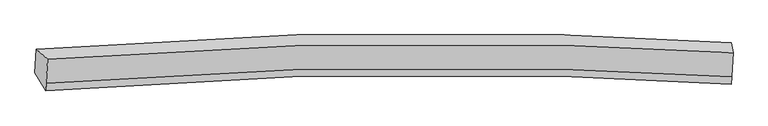
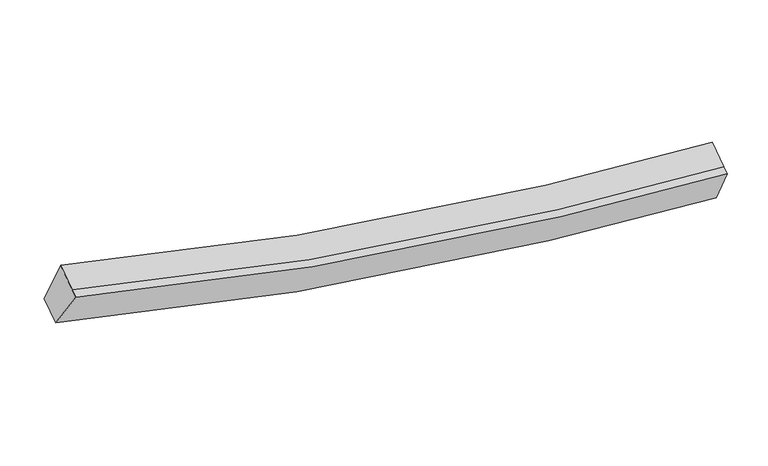
"""IFC4 building model written with IfcOpenShell, lengths in millimetres: proxy geometry."""

from ifc_helpers import new_model, si_unit, frame, origin, place, context, project, spatial, source, transform, mapped, element, save
from ifc_brep_helpers import plane_surface, spline_curve, spline_surface, advanced_brep


def generic_models_b6900f9a(model_context):
    return source(origin(), model_context, "Body", "AdvancedBrep", [
        advanced_brep(
        [(-6059.8646831, -1818.0160347, 3979.7846735), (-5866.6172258, -1991.7271844, 4653.1913196), (5928.0690988, -1877.4914975, 2792.9241348), (5893.8134973, -1703.2737033, 2099.985734), (-5895.3567963, -2401.1946087, 4447.8951498), (5900.8637336, -2291.5583059, 2592.1963247), (-5903.8966598, -2531.1716933, 4384.8859566), (5892.6010639, -2417.3164878, 2531.2323355), (-6086.7182991, -2226.729205, 3781.6521549), (5867.0372931, -2110.8086646, 1902.4243776)],
        [
            (0, 1),
            (1, 2, spline_curve(3, [(-5866.6172258, -1991.7271844, 4653.1913196), (-2954.181676211, -1746.758133258, 3738.499320519), (3.143523502, -1665.201500785, 3160.913797166), (3974.91353733, -1773.492335855, 2842.772851578), (4949.150445518, -1816.97040647, 2800.269313196), (5928.0690988, -1877.4914975, 2792.9241348)], [4, 2, 4], [0.0, 29.93947613650813, 39.60832901243245])),
            (2, 3),
            (3, 0, spline_curve(3, [(5893.8134973, -1703.2737033, 2099.985734), (4908.511483786, -1642.425746708, 2107.602271975), (3926.291333832, -1598.710665861, 2150.69889622), (-84.735816477, -1489.817011828, 2472.587362733), (-3087.075059715, -1571.779536753, 3056.090384912), (-6059.8646831, -1818.0160347, 3979.7846735)], [4, 2, 4], [0.0, 9.668852875924319, 39.60832901243245])),
            (1, 4),
            (4, 5, spline_curve(3, [(-5895.3567963, -2401.1946087, 4447.8951498), (-2982.023281998, -2158.917559667, 3535.876994231), (-24.186680861, -2078.894054422, 2959.814257388), (3947.748488516, -2187.680008569, 2642.165090324), (4921.985396989, -2231.158078939, 2599.661552207), (5900.8637336, -2291.5583059, 2592.1963247)], [4, 2, 4], [0.0, 29.741896661515852, 39.34694191213997])),
            (5, 2),
            (4, 6),
            (6, 7, spline_curve(3, [(-5903.8966598, -2531.1716933, 4384.8859566), (-2990.40090491, -2286.425336303, 3474.06485144), (-32.471906061, -2204.995531083, 2898.683849026), (3939.493103039, -2313.327324583, 2581.254845499), (4913.73001134, -2356.805395217, 2538.751307597), (5892.6010639, -2417.3164878, 2531.2323355)], [4, 2, 4], [0.0, 29.74229639124439, 39.347470733236634])),
            (7, 5),
            (6, 8),
            (8, 9, spline_curve(3, [(-6086.7182991, -2226.729205, 3781.6521549), (-3113.88336708, -1979.80310589, 2858.292165044), (-111.51831969, -1897.447844931, 2274.979530325), (3899.517163745, -2006.214665818, 1953.15254909), (4881.737313629, -2049.92974658, 1910.055924683), (5867.0372931, -2110.8086646, 1902.4243776)], [4, 2, 4], [0.0, 29.93987753902257, 39.60886004653558])),
            (9, 7),
            (8, 0),
            (3, 9),
        ],
        [
            spline_surface(3, 3, [[(-6059.8646831, -1818.0160347, 3979.7846735), (-3087.075059787, -1571.779536958, 3056.090384464), (-84.735816313, -1489.817012305, 2472.587362405), (3926.291333779, -1598.710665707, 2150.698896326), (4908.511483725, -1642.425746547, 2107.602271896), (5893.8134973, -1703.2737033, 2099.985734)], [(-5995.448863989, -1875.919751276, 4204.253555514), (-3042.77726522, -1630.105735726, 3283.560029924), (-55.442702986, -1548.278508332, 2702.029507416), (3942.498734937, -1656.971222447, 2381.390214712), (4922.057804356, -1700.607299858, 2338.491285708), (5905.232031115, -1761.346301367, 2330.965200944)], [(-5931.033044911, -1933.823467824, 4428.722437586), (-2998.479470686, -1688.431934466, 3511.029675443), (-26.149589639, -1606.740004402, 2931.471652432), (3958.706136112, -1715.23177923, 2612.081533103), (4935.604125043, -1758.788853169, 2569.380299488), (5916.650564985, -1819.418899433, 2561.944667856)], [(-5866.6172258, -1991.7271844, 4653.1913196), (-2954.18167612, -1746.758133234, 3738.499320904), (3.143523689, -1665.201500428, 3160.913797443), (3974.913537269, -1773.49233597, 2842.772851489), (4949.150445674, -1816.97040648, 2800.2693133), (5928.0690988, -1877.4914975, 2792.9241348)]], [4, 4], [4, 2, 4], [0.0, 2.346880887933263], [0.0, 29.93947613650813, 39.60832901243245]),
            spline_surface(3, 3, [[(-5866.6172258, -1991.7271844, 4653.1913196), (-2954.18167612, -1746.758133234, 3738.499320904), (3.143523689, -1665.201500428, 3160.913797443), (3974.913537269, -1773.49233597, 2842.772851489), (4949.150445674, -1816.97040648, 2800.2693133), (5928.0690988, -1877.4914975, 2792.9241348)], [(-5876.197082623, -2128.216325844, 4584.759263023), (-2963.462211469, -1884.144608583, 3670.958545394), (-5.966544406, -1803.099018455, 3093.880617446), (3965.858521, -1911.554893505, 2775.903597751), (4940.095429404, -1955.032964016, 2733.400059562), (5919.000643741, -2015.513766976, 2726.014864759)], [(-5885.776939477, -2264.705467256, 4516.327206377), (-2972.742746848, -2021.531083899, 3603.417769816), (-15.076612524, -1940.996536454, 3026.847437471), (3956.803504708, -2049.617451014, 2709.034344035), (4931.040413112, -2093.095521525, 2666.530805846), (5909.932188659, -2153.536036424, 2659.105594741)], [(-5895.3567963, -2401.1946087, 4447.8951498), (-2982.023282198, -2158.917559248, 3535.876994307), (-24.186680618, -2078.89405448, 2959.814257474), (3947.748488438, -2187.68000855, 2642.165090297), (4921.985396842, -2231.158079061, 2599.661552108), (5900.8637336, -2291.5583059, 2592.1963247)]], [4, 4], [4, 2, 4], [0.0, 1.511197124651595], [0.0, 29.741896661515852, 39.34694191213997]),
            spline_surface(3, 3, [[(-5895.3567963, -2401.1946087, 4447.8951498), (-2982.023282198, -2158.917559248, 3535.876994307), (-24.186680618, -2078.89405448, 2959.814257474), (3947.748488438, -2187.68000855, 2642.165090297), (4921.985396842, -2231.158079061, 2599.661552108), (5900.8637336, -2291.5583059, 2592.1963247)], [(-5898.203417488, -2444.520303555, 4426.892085383), (-2984.815823216, -2201.420151628, 3515.272946556), (-26.948422315, -2120.927879893, 2939.437454613), (3944.996693278, -2229.562447252, 2621.861675408), (4919.233601682, -2273.040517763, 2579.358137219), (5898.109510375, -2333.477699856, 2571.874994955)], [(-5901.050038612, -2487.845998445, 4405.889021017), (-2987.60836417, -2243.922744044, 3494.668898855), (-29.710164036, -2162.96170534, 2919.060651687), (3942.244898094, -2271.444885987, 2601.558260453), (4916.481806498, -2314.922956498, 2559.054722364), (5895.355287125, -2375.397093844, 2551.553665245)], [(-5903.8966598, -2531.1716933, 4384.8859566), (-2990.400905188, -2286.425336424, 3474.064851104), (-32.471905733, -2204.995530753, 2898.683848827), (3939.493102933, -2313.327324689, 2581.254845564), (4913.730011338, -2356.8053952, 2538.751307475), (5892.6010639, -2417.3164878, 2531.2323355)]], [4, 4], [4, 2, 4], [0.0, 0.46192577542451985], [0.0, 29.74229639124439, 39.347470733236634]),
            spline_surface(3, 3, [[(-5903.8966598, -2531.1716933, 4384.8859566), (-2990.400905188, -2286.425336424, 3474.064851104), (-32.471905733, -2204.995530753, 2898.683848827), (3939.493102933, -2313.327324689, 2581.254845564), (4913.730011338, -2356.8053952, 2538.751307475), (5892.6010639, -2417.3164878, 2531.2323355)], [(-5964.837206217, -2429.690863874, 4183.808022689), (-3031.561725786, -2184.217926313, 3268.807289026), (-58.82071037, -2102.479635558, 2690.782409265), (3926.167789865, -2210.956438357, 2371.887413388), (4903.065778796, -2254.513512296, 2329.186179873), (5884.079806945, -2315.147213406, 2321.629682859)], [(-6025.777752683, -2328.210034426, 3982.730088811), (-3072.722546432, -2082.010516181, 3063.549726981), (-85.169515006, -1999.963740401, 2482.88096979), (3912.842476798, -2108.585552062, 2162.519981297), (4892.401546318, -2152.221629373, 2119.621052293), (5875.558550055, -2212.977938994, 2112.027030241)], [(-6086.7182991, -2226.729205, 3781.6521549), (-3113.88336703, -1979.803106071, 2858.292164903), (-111.518319643, -1897.447845206, 2274.979530229), (3899.51716373, -2006.214665729, 1953.152549121), (4881.737313776, -2049.929746469, 1910.055924691), (5867.0372931, -2110.8086646, 1902.4243776)]], [4, 4], [4, 2, 4], [0.0, 2.292964951149751], [0.0, 29.93987753902257, 39.60886004653558]),
            spline_surface(3, 3, [[(-6086.7182991, -2226.729205, 3781.6521549), (-3113.88336703, -1979.803106071, 2858.292164903), (-111.518319643, -1897.447845206, 2274.979530229), (3899.51716373, -2006.214665729, 1953.152549121), (4881.737313776, -2049.929746469, 1910.055924691), (5867.0372931, -2110.8086646, 1902.4243776)], [(-6077.767093783, -2090.491481551, 3847.69632779), (-3104.947264632, -1843.795249685, 2924.22490478), (-102.590818542, -1761.570900935, 2340.848807636), (3908.441887071, -1870.379999084, 2019.001331538), (4890.662037117, -1914.095079824, 1975.904707108), (5875.962694524, -1974.963677496, 1968.278163082)], [(-6068.815888417, -1954.253758149, 3913.74050061), (-3096.011162185, -1707.787393344, 2990.157644587), (-93.663317414, -1625.693956577, 2406.718084997), (3917.366610439, -1734.545332352, 2084.850113909), (4899.586760385, -1778.260413192, 2041.753489479), (5884.888095876, -1839.118690404, 2034.131948518)], [(-6059.8646831, -1818.0160347, 3979.7846735), (-3087.075059787, -1571.779536958, 3056.090384464), (-84.735816313, -1489.817012305, 2472.587362405), (3926.291333779, -1598.710665707, 2150.698896326), (4908.511483725, -1642.425746547, 2107.602271896), (5893.8134973, -1703.2737033, 2099.985734)]], [4, 4], [4, 2, 4], [0.0, 1.48920390052914], [0.0, 30.13747130839368, 39.87026605752834]),
            plane_surface(frame((5895.3802383, -2027.2225883, 2331.6416455), z_axis=(0.9975886241280629, -0.03711390810292099, -0.05864720654563437), x_axis=(-0.03651967266248322, 0.43786831883081156, -0.8982970827476309))),
            plane_surface(frame((-5962.4907328, -2193.7677452, 4249.4818509), z_axis=(-0.9634858645340924, -0.06286953883809895, 0.2602737211653866), x_axis=(-0.05901906911247844, -0.8982727276220746, -0.4354570659565587))),
        ],
        [
            (0, [[1, 2, 3, 4]]),
            (1, [[5, 6, 7, -2]]),
            (2, [[8, 9, 10, -6]]),
            (3, [[11, 12, 13, -9]]),
            (4, [[14, -4, 15, -12]]),
            (5, [[-13, -15, -3, -7, -10]]),
            (6, [[-14, -11, -8, -5, -1]]),
        ],
    ),
    ])


if __name__ == "__main__":
    model = new_model("IFC4")
    model_context = context("Model", 3, world=origin())
    ifc_project = project(units=[si_unit("LENGTHUNIT", "METRE", prefix="MILLI")], contexts=[model_context])
    site = spatial("IfcSite", under=ifc_project)
    building = spatial("IfcBuilding", under=site)
    placement = place(None, origin())
    generic_models_shape = generic_models_b6900f9a(model_context)
    element("IfcBuildingElementProxy", 1, Name="Generic Models", at=placement, inside=building, context=model_context, shape_type="MappedRepresentation", body=[
        mapped(generic_models_shape, transform((0.0, 0.0, 0.0), x_axis=(1.0, 0.0, 0.0), y_axis=(0.0, 1.0, 0.0), z_axis=(0.0, 0.0, 1.0))),
    ])
    save(model, "model.ifc")
